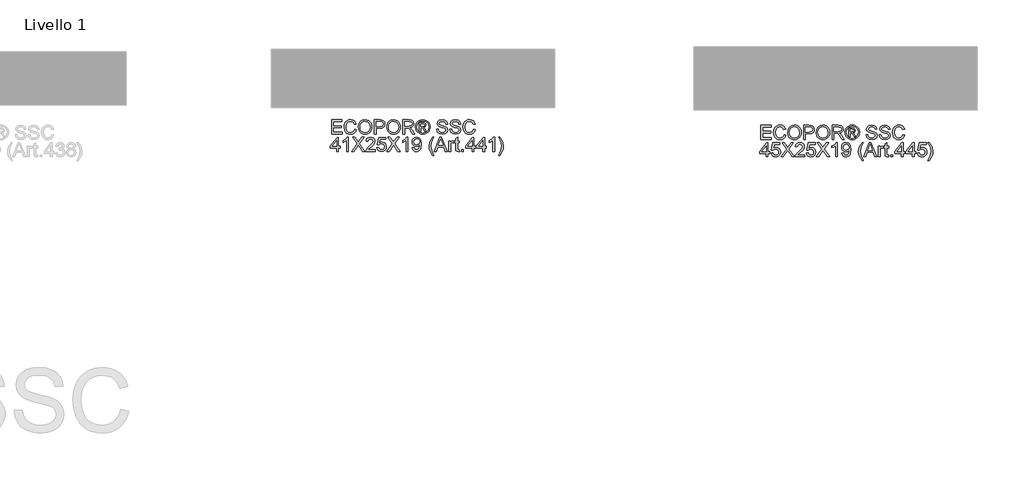
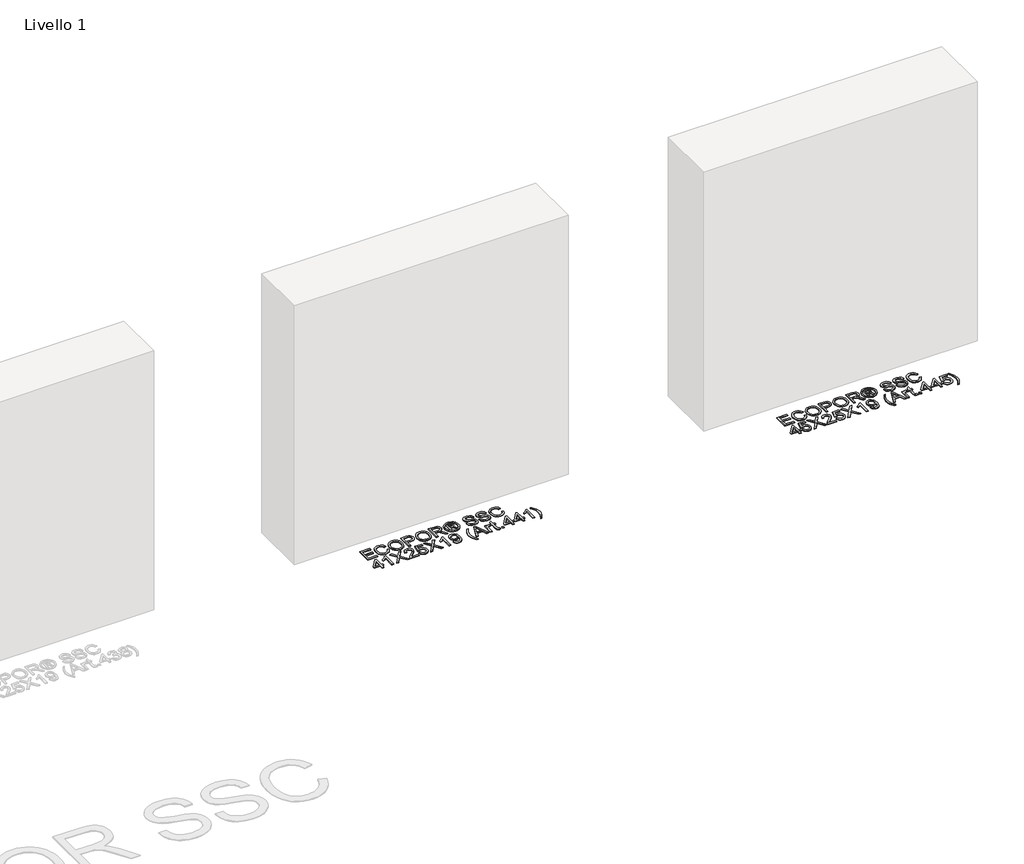
# One storey, part 9 of 10: 2 proxies.
"""IFC4 building model written with IfcOpenShell, lengths in millimetres."""

from ifc_helpers import new_model, si_unit, origin, origin_with_axes, place, context, project, spatial, polyline, outline, extrude, element, save

model = new_model("IFC4")

# Units and contexts
model_context = context("Model", 3, world=origin())
ifc_project = project(units=[si_unit("LENGTHUNIT", "METRE", prefix="MILLI")], contexts=[model_context])

# Site, building, storey
site = spatial("IfcSite", under=ifc_project)
building = spatial("IfcBuilding", under=site)
storey = spatial("IfcBuildingStorey", under=building, Name="Livello 1", Elevation=0.0)

# Proxies
placement = place(None, origin())
element("IfcBuildingElementProxy", 1, Name="100", ObjectType="100", at=placement, inside=storey, context=model_context, shape_type="SweptSolid", body=[
    extrude(outline(polyline([(4345.8529126, 142.6202611), (4345.8529126, 243.0765713), (4418.0558855, 243.0765713), (4418.0558855, 230.5195325), (4358.4099513, 230.5195325), (4358.4099513, 200.6965654), (4414.9166258, 200.6965654), (4414.9166258, 188.1395267), (4358.4099513, 188.1395267), (4358.4099513, 155.1772999), (4419.6255153, 155.1772999), (4419.6255153, 142.6202611), (4345.8529126, 142.6202611)])), origin_with_axes(), (0.0, 0.0, 1.0), 5.0),
    extrude(outline(polyline([(4509.0944166, 178.3293401), (4521.6514553, 175.0919786), (4515.8573139, 160.4594722), (4506.7644973, 149.7694346), (4494.8205951, 143.2303321), (4480.4731973, 141.0506313), (4465.908136, 142.6999689), (4454.3413129, 147.6479817), (4445.4753569, 155.7229915), (4439.0128965, 166.75332), (4433.7521839, 193.6087057), (4435.2390403, 208.2565404), (4439.6996095, 220.9055497), (4446.9008996, 231.154129), (4456.6099186, 238.6006737), (4468.124625, 243.1348193), (4480.7429775, 244.6462011), (4494.5109611, 242.6902952), (4505.8938432, 236.8225774), (4514.5360044, 227.4047983), (4520.0818255, 214.7987086), (4507.5247867, 211.8066017), (4497.2240908, 227.2453828), (4480.2524681, 232.0891624), (4460.6075696, 226.7180852), (4449.5097961, 212.297111), (4446.3092227, 193.6332311), (4450.0984073, 172.0017698), (4461.8951566, 158.1816695), (4479.2223986, 153.6076701), (4489.7039697, 155.1650372), (4498.4381014, 159.8371385), (4505.0323862, 167.5749231), (4509.0944166, 178.3293401)])), origin_with_axes(), (0.0, 0.0, 1.0), 5.0),
    extrude(outline(polyline([(4534.2084941, 191.524041), (4537.5562203, 213.7379822), (4547.5993987, 230.544058), (4562.9339466, 241.1206653), (4582.1557808, 244.6462011), (4595.3320876, 242.9907321), (4607.147231, 238.0243252), (4616.9574175, 230.0964682), (4624.1188537, 219.5566491), (4628.4966495, 206.9137712), (4629.9559147, 192.6767379), (4628.4200074, 178.2496324), (4623.8122854, 165.4289448), (4616.3872005, 154.8707316), (4606.3992043, 147.2310488), (4594.6852284, 142.5957357), (4582.0822044, 141.0506313), (4568.7035625, 142.7582169), (4556.8209741, 147.8809737), (4547.035313, 155.9559835), (4539.9474532, 166.5203281), (4534.2084941, 191.524041)]), holes=[polyline([(4546.7655329, 191.4014137), (4549.2763275, 175.6867211), (4556.8087113, 163.7121622), (4568.1302797, 156.1337931), (4582.008628, 153.6076701), (4596.0893114, 156.1583186), (4607.4292739, 163.8102641), (4614.9064754, 176.152705), (4617.3988759, 192.7748398), (4613.1314448, 213.4988589), (4600.6602452, 227.2208573), (4582.2293572, 232.0891624), (4568.7219566, 229.7439146), (4557.237907, 222.7081715), (4549.3836264, 210.1909866), (4546.7655329, 191.4014137)])]), origin_with_axes(), (0.0, 0.0, 1.0), 5.0),
    extrude(outline(polyline([(4647.221843, 142.6202611), (4647.221843, 243.0765713), (4684.4515009, 243.0765713), (4699.4610863, 242.1200781), (4711.6625058, 237.4234513), (4719.5719687, 227.7113666), (4722.5640756, 214.0138937), (4720.5437903, 202.1742248), (4714.4829345, 192.3088559), (4703.1491033, 185.6501918), (4685.3098922, 183.4306371), (4659.7788818, 183.4306371), (4659.7788818, 142.6202611), (4647.221843, 142.6202611)]), holes=[polyline([(4659.7788818, 195.9876759), (4686.0456562, 195.9876759), (4704.5378579, 200.5984636), (4708.6397421, 206.1473503), (4710.0070369, 213.5724353), (4706.781938, 223.971233), (4698.3083894, 229.6611412), (4685.7513506, 230.5195325), (4659.7788818, 230.5195325), (4659.7788818, 195.9876759)])]), origin_with_axes(), (0.0, 0.0, 1.0), 5.0),
    extrude(outline(polyline([(4735.1211144, 191.524041), (4738.4688406, 213.7379822), (4748.512019, 230.544058), (4763.8465669, 241.1206653), (4783.0684011, 244.6462011), (4796.2447079, 242.9907321), (4808.0598513, 238.0243252), (4817.8700378, 230.0964682), (4825.031474, 219.5566491), (4829.4092698, 206.9137712), (4830.868535, 192.6767379), (4829.3326277, 178.2496324), (4824.7249057, 165.4289448), (4817.2998208, 154.8707316), (4807.3118246, 147.2310488), (4795.5978487, 142.5957357), (4782.9948247, 141.0506313), (4769.6161828, 142.7582169), (4757.7335944, 147.8809737), (4747.9479333, 155.9559835), (4740.8600735, 166.5203281), (4735.1211144, 191.524041)]), holes=[polyline([(4747.6781532, 191.4014137), (4750.1889478, 175.6867211), (4757.7213316, 163.7121622), (4769.0429, 156.1337931), (4782.9212483, 153.6076701), (4797.0019317, 156.1583186), (4808.3418942, 163.8102641), (4815.8190957, 176.152705), (4818.3114962, 192.7748398), (4814.0440651, 213.4988589), (4801.5728655, 227.2208573), (4783.1419775, 232.0891624), (4769.6345769, 229.7439146), (4758.1505273, 222.7081715), (4750.2962467, 210.1909866), (4747.6781532, 191.4014137)])]), origin_with_axes(), (0.0, 0.0, 1.0), 5.0),
    extrude(outline(polyline([(4848.1344633, 142.6202611), (4848.1344633, 243.0765713), (4891.4219114, 243.0765713), (4911.5205311, 240.3665072), (4922.50794, 230.7770499), (4926.6159556, 215.5835235), (4924.9145014, 205.6874978), (4919.8101387, 197.4837293), (4911.1495834, 191.4688587), (4898.7795513, 188.1395267), (4905.916462, 182.7684495), (4916.0945306, 169.8435288), (4932.8454241, 142.6202611), (4918.2527716, 142.6202611), (4905.180698, 163.4423821), (4895.7383935, 177.2256941), (4889.1042548, 183.7372055), (4883.1323038, 186.1284384), (4875.8482403, 186.5698968), (4860.6915021, 186.5698968), (4860.6915021, 142.6202611), (4848.1344633, 142.6202611)]), holes=[polyline([(4860.6915021, 199.1269356), (4888.7976865, 199.1269356), (4903.1328216, 200.9050319), (4911.2752764, 206.5949401), (4914.0589168, 215.1175396), (4908.7491534, 226.178525), (4891.9614717, 230.5195325), (4860.6915021, 230.5195325), (4860.6915021, 199.1269356)])]), origin_with_axes(), (0.0, 0.0, 1.0), 5.0),
    extrude(outline(polyline([(4989.4256749, 244.6462011), (5002.3199389, 242.972338), (5014.9076345, 237.9507488), (5025.9655541, 229.8144254), (5034.2704901, 218.7963596), (5039.4668233, 206.0737739), (5041.1989344, 192.8238907), (5039.4913488, 179.6905035), (5034.368592, 167.0721511), (5026.1648235, 156.0939392), (5015.2142028, 147.8809737), (5002.6050474, 142.7582169), (4989.4256749, 141.0506313), (4976.2646966, 142.7582169), (4963.6616725, 147.8809737), (4952.7018548, 156.0939392), (4944.4704951, 167.0721511), (4939.3201472, 179.6905035), (4937.6033645, 192.8238907), (4939.3446727, 206.0737739), (4944.568597, 218.7963596), (4952.9011242, 229.8144254), (4963.9682409, 237.9507488), (4976.5498051, 242.972338), (4989.4256749, 244.6462011)]), holes=[polyline([(4989.4256749, 235.228422), (4968.603554, 229.7469803), (4959.5751167, 223.0852505), (4952.74784, 214.0629446), (4947.0211436, 192.8238907), (4952.6374754, 171.7687779), (4968.3582993, 156.0847422), (4989.4256749, 150.4684104), (5010.5053133, 156.0847422), (5026.189349, 171.7687779), (5031.7811553, 192.8238907), (5026.0912471, 214.0629446), (5019.2823645, 223.0852505), (5010.2355331, 229.7469803), (4989.4256749, 235.228422)])]), origin_with_axes(), (0.0, 0.0, 1.0), 5.0),
    extrude(outline(polyline([(4965.8567018, 161.4558193), (4965.8567018, 224.2410131), (4986.1392624, 224.2410131), (5001.1978988, 222.5119677), (5008.6168523, 216.478703), (5011.3759673, 207.3184413), (5006.6180268, 195.3990647), (4994.0119371, 189.7091565), (4998.9170304, 186.3736931), (5007.4764182, 173.8411798), (5014.515227, 161.4558193), (5003.9202255, 161.4558193), (4998.4019956, 171.4131586), (4989.1558948, 185.8341328), (4981.1360673, 188.1395267), (4975.2744808, 188.1395267), (4975.2744808, 161.4558193), (4965.8567018, 161.4558193)]), holes=[polyline([(4975.2744808, 197.5573057), (4987.1938575, 197.5573057), (4998.843454, 199.9485387), (5001.9581882, 206.2883718), (5000.4621348, 210.8501085), (4996.3050682, 213.8422154), (4986.433568, 214.8232341), (4975.2744808, 214.8232341), (4975.2744808, 197.5573057)])]), origin_with_axes(), (0.0, 0.0, 1.0), 5.0),
    extrude(outline(polyline([(5086.7181999, 177.1521177), (5099.2752387, 177.1521177), (5103.3219406, 164.5828162), (5113.2057036, 156.6365651), (5128.2643399, 153.6076701), (5141.3854644, 155.9008012), (5149.859013, 162.203846), (5152.6426535, 170.6283437), (5150.5579888, 178.4642302), (5142.0231265, 184.1664011), (5123.7393914, 188.9611298), (5104.0577046, 195.15381), (5093.376864, 204.4980127), (5089.8574596, 216.9814751), (5094.2107299, 231.1939828), (5106.9271842, 241.2248986), (5125.5420131, 244.6462011), (5145.4076409, 241.065483), (5158.6513927, 230.544058), (5163.6300624, 214.8232341), (5151.0730236, 214.8232341), (5148.7676298, 222.315764), (5143.9606384, 227.7236293), (5126.0325225, 232.0891624), (5108.0553556, 227.7726803), (5102.4144984, 217.3493571), (5106.4121494, 208.6428165), (5126.9154393, 201.6285332), (5149.1355118, 195.3254883), (5161.2878803, 185.1474198), (5165.1996922, 170.9471748), (5160.6992691, 155.9253266), (5147.7498229, 144.9624432), (5128.7548492, 141.0506313), (5106.3263103, 145.2690115), (5092.138328, 157.9732031), (5086.7181999, 177.1521177)])), origin_with_axes(), (0.0, 0.0, 1.0), 5.0),
    extrude(outline(polyline([(5179.3263608, 177.1521177), (5191.8833996, 177.1521177), (5195.9301016, 164.5828162), (5205.8138645, 156.6365651), (5220.8725008, 153.6076701), (5233.9936253, 155.9008012), (5242.4671739, 162.203846), (5245.2508144, 170.6283437), (5243.1661497, 178.4642302), (5234.6312874, 184.1664011), (5216.3475523, 188.9611298), (5196.6658655, 195.15381), (5185.985025, 204.4980127), (5182.4656205, 216.9814751), (5186.8188908, 231.1939828), (5199.5353451, 241.2248986), (5218.1501741, 244.6462011), (5238.0158018, 241.065483), (5251.2595536, 230.544058), (5256.2382233, 214.8232341), (5243.6811845, 214.8232341), (5241.3757907, 222.315764), (5236.5687993, 227.7236293), (5218.6406834, 232.0891624), (5200.6635166, 227.7726803), (5195.0226593, 217.3493571), (5199.0203103, 208.6428165), (5219.5236002, 201.6285332), (5241.7436727, 195.3254883), (5253.8960413, 185.1474198), (5257.8078531, 170.9471748), (5253.3074301, 155.9253266), (5240.3579838, 144.9624432), (5221.3630102, 141.0506313), (5198.9344712, 145.2690115), (5184.7464889, 157.9732031), (5179.3263608, 177.1521177)])), origin_with_axes(), (0.0, 0.0, 1.0), 5.0),
    extrude(outline(polyline([(5347.2767544, 178.3293401), (5359.8337931, 175.0919786), (5354.0396517, 160.4594722), (5344.9468351, 149.7694346), (5333.002933, 143.2303321), (5318.6555351, 141.0506313), (5304.0904738, 142.6999689), (5292.5236508, 147.6479817), (5283.6576947, 155.7229915), (5277.1952343, 166.75332), (5271.9345218, 193.6087057), (5273.4213782, 208.2565404), (5277.8819473, 220.9055497), (5285.0832374, 231.154129), (5294.7922564, 238.6006737), (5306.3069628, 243.1348193), (5318.9253153, 244.6462011), (5332.6932989, 242.6902952), (5344.076181, 236.8225774), (5352.7183422, 227.4047983), (5358.2641633, 214.7987086), (5345.7071245, 211.8066017), (5335.4064287, 227.2453828), (5318.4348059, 232.0891624), (5298.7899074, 226.7180852), (5287.6921339, 212.297111), (5284.4915605, 193.6332311), (5288.2807451, 172.0017698), (5300.0774944, 158.1816695), (5317.4047364, 153.6076701), (5327.8863075, 155.1650372), (5336.6204392, 159.8371385), (5343.214724, 167.5749231), (5347.2767544, 178.3293401)])), origin_with_axes(), (0.0, 0.0, 1.0), 5.0),
    extrude(outline(polyline([(4381.954399, 20.6454433), (4381.954399, 44.189891), (4336.4351335, 44.189891), (4336.4351335, 56.7469297), (4385.0936587, 119.5321236), (4394.5114378, 119.5321236), (4394.5114378, 56.7469297), (4407.0684766, 56.7469297), (4407.0684766, 44.189891), (4394.5114378, 44.189891), (4394.5114378, 20.6454433), (4381.954399, 20.6454433)]), holes=[polyline([(4381.954399, 56.7469297), (4381.954399, 95.5462175), (4351.8861773, 56.7469297), (4381.954399, 56.7469297)])]), origin_with_axes(), (0.0, 0.0, 1.0), 5.0),
    extrude(outline(polyline([(4465.1447809, 20.6454433), (4452.5877421, 20.6454433), (4452.5877421, 98.9307319), (4440.6928909, 90.4571832), (4427.4736646, 84.1173502), (4427.4736646, 95.9876759), (4445.8800271, 107.7353743), (4457.051377, 121.1017534), (4465.1447809, 121.1017534), (4465.1447809, 20.6454433)])), origin_with_axes(), (0.0, 0.0, 1.0), 5.0),
    extrude(outline(polyline([(4488.6892286, 20.6454433), (4527.4149399, 75.3862842), (4494.9677479, 121.1017534), (4510.0263843, 121.1017534), (4528.2978567, 95.3745392), (4534.4537488, 85.3436235), (4541.6642359, 95.5462175), (4559.7395046, 121.1017534), (4575.0188701, 121.1017534), (4542.5716781, 75.2391314), (4581.2973895, 20.6454433), (4566.2387531, 20.6454433), (4540.4379625, 57.0412353), (4535.0668854, 64.595079), (4529.156248, 56.3054714), (4503.9685941, 20.6454433), (4488.6892286, 20.6454433)])), origin_with_axes(), (0.0, 0.0, 1.0), 5.0),
    extrude(outline(polyline([(4653.5003624, 33.2024821), (4653.5003624, 20.6454433), (4587.5759089, 20.6454433), (4588.9248095, 29.3029329), (4596.5522295, 42.6325239), (4612.2730535, 57.1883881), (4633.9535657, 78.1086109), (4639.3736938, 92.3333814), (4634.2601341, 103.8480879), (4620.9060176, 108.5447147), (4606.9878155, 103.9584525), (4601.7025775, 91.2787864), (4589.1455387, 92.8484162), (4592.1897622, 104.9946534), (4598.7717842, 113.8667409), (4608.5482483, 119.2930003), (4621.1757978, 121.1017534), (4633.8953177, 119.0906652), (4643.6533877, 113.0574005), (4649.8613963, 104.0442916), (4651.9307326, 93.0936709), (4649.6989151, 81.186557), (4642.2799615, 68.8747729), (4624.290532, 51.6701582), (4609.8450323, 39.591366), (4604.1796496, 33.2024821), (4653.5003624, 33.2024821)])), origin_with_axes(), (0.0, 0.0, 1.0), 5.0),
    extrude(outline(polyline([(4666.0574012, 47.3291507), (4678.6144399, 48.8987805), (4684.9420103, 35.961597), (4698.0631347, 31.6328522), (4707.0639809, 33.1381027), (4713.8084841, 37.6538542), (4718.020733, 44.6589405), (4719.4248159, 53.6321955), (4714.1641034, 68.5436791), (4707.5575559, 72.6455633), (4698.2593385, 74.0128581), (4687.2351414, 71.8300915), (4680.1840698, 66.1647088), (4667.627031, 67.7343387), (4678.6144399, 119.5321236), (4727.2729652, 119.5321236), (4727.2729652, 106.9750848), (4688.767983, 106.9750848), (4683.3969059, 79.3103588), (4692.3670952, 84.7550123), (4701.7664802, 86.5698968), (4713.4988501, 84.3196853), (4723.238526, 77.5690507), (4729.7960225, 67.2806175), (4731.9818547, 54.4170104), (4730.013686, 41.8599717), (4724.10918, 31.1178174), (4712.80294, 22.0863144), (4698.0140838, 19.0758134), (4685.6808399, 21.0102596), (4675.855325, 26.8135981), (4669.1200188, 35.8113785), (4666.0574012, 47.3291507)])), origin_with_axes(), (0.0, 0.0, 1.0), 5.0),
    extrude(outline(polyline([(4736.6907442, 20.6454433), (4775.4164556, 75.3862842), (4742.9692636, 121.1017534), (4758.0279, 121.1017534), (4776.2993724, 95.3745392), (4782.4552644, 85.3436235), (4789.6657515, 95.5462175), (4807.7410202, 121.1017534), (4823.0203858, 121.1017534), (4790.5731938, 75.2391314), (4829.2989052, 20.6454433), (4814.2402688, 20.6454433), (4788.4394782, 57.0412353), (4783.0684011, 64.595079), (4777.1577637, 56.3054714), (4751.9701098, 20.6454433), (4736.6907442, 20.6454433)])), origin_with_axes(), (0.0, 0.0, 1.0), 5.0),
    extrude(outline(polyline([(4884.2359498, 20.6454433), (4871.678911, 20.6454433), (4871.678911, 98.9307319), (4859.7840598, 90.4571832), (4846.5648335, 84.1173502), (4846.5648335, 95.9876759), (4864.971196, 107.7353743), (4876.1425459, 121.1017534), (4884.2359498, 121.1017534), (4884.2359498, 20.6454433)])), origin_with_axes(), (0.0, 0.0, 1.0), 5.0),
    extrude(outline(polyline([(4915.6285467, 45.7595208), (4928.1855855, 47.3291507), (4933.8264427, 35.3484604), (4944.5195461, 31.6328522), (4954.6853519, 34.0240852), (4961.5770079, 40.4129692), (4965.6850235, 51.3268017), (4967.499908, 65.8949287), (4967.4263316, 68.3474753), (4957.3831531, 58.8315944), (4943.6121038, 55.1772999), (4932.1617767, 57.4091173), (4922.6305673, 64.1045696), (4916.2018295, 74.4481851), (4914.0589168, 87.6244919), (4916.3060627, 101.2361257), (4923.0475003, 111.9047036), (4933.1734522, 118.802491), (4945.5741411, 121.1017534), (4963.4654688, 115.8533036), (4975.7772529, 100.8927692), (4979.9833704, 72.7865847), (4975.7895156, 42.2891673), (4970.5747884, 32.2981055), (4963.318316, 25.0109763), (4954.3327983, 20.5596042), (4943.9309349, 19.0758134), (4933.194912, 20.8263186), (4924.6293928, 26.0778341), (4918.6390477, 34.4992661), (4915.6285467, 45.7595208)]), holes=[polyline([(4967.4263316, 87.9187975), (4966.0712996, 96.4291343), (4962.0062036, 102.9774338), (4955.6970273, 107.1528945), (4947.6097548, 108.5447147), (4939.2220453, 107.0455955), (4932.5020675, 102.5482381), (4928.0874836, 95.6657792), (4926.6159556, 87.0113552), (4928.0077758, 79.2521108), (4932.1832365, 73.0931531), (4938.7376674, 69.0740423), (4947.2663983, 67.7343387), (4961.7486862, 73.0931531), (4966.0069203, 79.4789714), (4967.4263316, 87.9187975)])]), origin_with_axes(), (0.0, 0.0, 1.0), 5.0),
    extrude(outline(polyline([(5058.4648627, -7.6078939), (5040.6348487, 21.8471911), (5035.171801, 39.0272803), (5033.3507852, 56.8205061), (5038.7954387, 87.3547117), (5058.4648627, 121.1017534), (5067.8826418, 121.1017534), (5056.1349434, 101.2116002), (5049.0716091, 81.9345837), (5045.9078239, 56.7469297), (5051.4015284, 24.5572552), (5067.8826418, -7.6078939), (5058.4648627, -7.6078939)])), origin_with_axes(), (0.0, 0.0, 1.0), 5.0),
    extrude(outline(polyline([(5070.3106629, 20.6454433), (5110.4098004, 121.1017534), (5121.1029037, 121.1017534), (5161.2020412, 20.6454433), (5147.9337639, 20.6454433), (5136.4313202, 52.0380402), (5095.0568585, 52.0380402), (5083.5789402, 20.6454433), (5070.3106629, 20.6454433)]), holes=[polyline([(5099.6676461, 64.595079), (5131.845058, 64.595079), (5122.7951609, 89.2922236), (5115.7563521, 108.5447147), (5109.5023582, 91.4504646), (5099.6676461, 64.595079)])]), origin_with_axes(), (0.0, 0.0, 1.0), 5.0),
    extrude(outline(polyline([(5173.0478415, 20.6454433), (5173.0478415, 94.4180461), (5184.0352504, 94.4180461), (5184.0352504, 83.5042135), (5191.8343487, 93.5596547), (5199.6824979, 95.9876759), (5212.2885876, 92.1126522), (5208.0947329, 80.8554632), (5199.265565, 83.4306371), (5192.1654425, 80.953565), (5187.6404939, 74.0864345), (5185.6048802, 59.4202056), (5185.6048802, 20.6454433), (5173.0478415, 20.6454433)])), origin_with_axes(), (0.0, 0.0, 1.0), 5.0),
    extrude(outline(polyline([(5246.8204442, 31.1178174), (5248.3900741, 20.2775613), (5238.9968205, 19.0758134), (5228.4753954, 21.1604781), (5223.2269456, 26.6296571), (5221.7063667, 40.878953), (5221.7063667, 81.8610073), (5212.2885876, 81.8610073), (5212.2885876, 94.4180461), (5221.7063667, 94.4180461), (5221.7063667, 112.3461619), (5234.2634055, 119.7283273), (5234.2634055, 94.4180461), (5246.8204442, 94.4180461), (5246.8204442, 81.8610073), (5234.2634055, 81.8610073), (5234.2634055, 41.246835), (5234.925593, 34.7721119), (5237.0715713, 32.4789808), (5241.3512652, 31.6328522), (5246.8204442, 31.1178174)])), origin_with_axes(), (0.0, 0.0, 1.0), 5.0),
    extrude(outline(polyline([(5262.5167427, 20.6454433), (5262.5167427, 33.2024821), (5275.0737814, 33.2024821), (5275.0737814, 20.6454433), (5262.5167427, 20.6454433)])), origin_with_axes(), (0.0, 0.0, 1.0), 5.0),
    extrude(outline(polyline([(5336.2893454, 20.6454433), (5336.2893454, 44.189891), (5290.7700799, 44.189891), (5290.7700799, 56.7469297), (5339.4286051, 119.5321236), (5348.8463842, 119.5321236), (5348.8463842, 56.7469297), (5361.403423, 56.7469297), (5361.403423, 44.189891), (5348.8463842, 44.189891), (5348.8463842, 20.6454433), (5336.2893454, 20.6454433)]), holes=[polyline([(5336.2893454, 56.7469297), (5336.2893454, 95.5462175), (5306.2211237, 56.7469297), (5336.2893454, 56.7469297)])]), origin_with_axes(), (0.0, 0.0, 1.0), 5.0),
    extrude(outline(polyline([(5413.2012079, 20.6454433), (5413.2012079, 44.189891), (5367.6819424, 44.189891), (5367.6819424, 56.7469297), (5416.3404676, 119.5321236), (5425.7582467, 119.5321236), (5425.7582467, 56.7469297), (5438.3152854, 56.7469297), (5438.3152854, 44.189891), (5425.7582467, 44.189891), (5425.7582467, 20.6454433), (5413.2012079, 20.6454433)]), holes=[polyline([(5413.2012079, 56.7469297), (5413.2012079, 95.5462175), (5383.1329862, 56.7469297), (5413.2012079, 56.7469297)])]), origin_with_axes(), (0.0, 0.0, 1.0), 5.0),
    extrude(outline(polyline([(5496.3915897, 20.6454433), (5483.834551, 20.6454433), (5483.834551, 98.9307319), (5471.9396998, 90.4571832), (5458.7204734, 84.1173502), (5458.7204734, 95.9876759), (5477.1268359, 107.7353743), (5488.2981859, 121.1017534), (5496.3915897, 121.1017534), (5496.3915897, 20.6454433)])), origin_with_axes(), (0.0, 0.0, 1.0), 5.0),
    extrude(outline(polyline([(5532.4930762, -7.6078939), (5523.0752971, -7.6078939), (5539.5564105, 24.5572552), (5545.050115, 56.7469297), (5541.8863298, 81.7138545), (5534.8965719, 101.0153965), (5523.0752971, 121.1017534), (5532.4930762, 121.1017534), (5552.1625002, 87.3547117), (5557.6071537, 56.8205061), (5555.7769408, 39.0272803), (5550.286302, 21.8471911), (5532.4930762, -7.6078939)])), origin_with_axes(), (0.0, 0.0, 1.0), 5.0),
])
element("IfcBuildingElementProxy", 2, Name="100", ObjectType="100", at=placement, inside=storey, context=model_context, shape_type="SweptSolid", body=[
    extrude(outline(polyline([(7373.6382108, 104.7110435), (7373.6382108, 205.1673537), (7445.8411837, 205.1673537), (7445.8411837, 192.6103149), (7386.1952496, 192.6103149), (7386.1952496, 162.7873478), (7442.701924, 162.7873478), (7442.701924, 150.2303091), (7386.1952496, 150.2303091), (7386.1952496, 117.2680823), (7447.4108136, 117.2680823), (7447.4108136, 104.7110435), (7373.6382108, 104.7110435)])), origin_with_axes(), (0.0, 0.0, 1.0), 5.0),
    extrude(outline(polyline([(7536.8797148, 140.4201225), (7549.4367536, 137.182761), (7543.6426122, 122.5502546), (7534.5497955, 111.860217), (7522.6058934, 105.3211145), (7508.2584956, 103.1414137), (7493.6934343, 104.7907513), (7482.1266112, 109.7387641), (7473.2606551, 117.8137739), (7466.7981947, 128.8441024), (7461.5374822, 155.6994881), (7463.0243386, 170.3473228), (7467.4849078, 182.9963321), (7474.6861978, 193.2449113), (7484.3952168, 200.6914561), (7495.9099233, 205.2256017), (7508.5282757, 206.7369835), (7522.2962594, 204.7810776), (7533.6791414, 198.9133598), (7542.3213027, 189.4955807), (7547.8671237, 176.889491), (7535.310085, 173.8973841), (7525.0093891, 189.3361651), (7508.0377664, 194.1799448), (7488.3928678, 188.8088676), (7477.2950943, 174.3878934), (7474.094521, 155.7240135), (7477.8837055, 134.0925522), (7489.6804548, 120.2724519), (7507.0076968, 115.6984524), (7517.489268, 117.2558196), (7526.2233997, 121.9279209), (7532.8176844, 129.6657055), (7536.8797148, 140.4201225)])), origin_with_axes(), (0.0, 0.0, 1.0), 5.0),
    extrude(outline(polyline([(7561.9937923, 153.6148234), (7565.3415185, 175.8287646), (7575.384697, 192.6348404), (7590.7192448, 203.2114477), (7609.941079, 206.7369835), (7623.1173858, 205.0815145), (7634.9325293, 200.1151076), (7644.7427158, 192.1872506), (7651.904152, 181.6474315), (7656.2819477, 169.0045535), (7657.741213, 154.7675203), (7656.2053056, 140.3404148), (7651.5975836, 127.5197272), (7644.1724987, 116.961514), (7634.1845025, 109.3218312), (7622.4705267, 104.6865181), (7609.8675026, 103.1414137), (7596.4888608, 104.8489993), (7584.6062723, 109.9717561), (7574.8206112, 118.0467659), (7567.7327515, 128.6111105), (7561.9937923, 153.6148234)]), holes=[polyline([(7574.5508311, 153.4921961), (7577.0616257, 137.7775035), (7584.5940096, 125.8029446), (7595.915578, 118.2245755), (7609.7939262, 115.6984524), (7623.8746096, 118.2491009), (7635.2145721, 125.9010464), (7642.6917737, 138.2434874), (7645.1841742, 154.8656222), (7640.916743, 175.5896413), (7628.4455434, 189.3116397), (7610.0146554, 194.1799448), (7596.5072549, 191.834697), (7585.0232052, 184.7989539), (7577.1689246, 172.281769), (7574.5508311, 153.4921961)])]), origin_with_axes(), (0.0, 0.0, 1.0), 5.0),
    extrude(outline(polyline([(7675.0071413, 104.7110435), (7675.0071413, 205.1673537), (7712.2367992, 205.1673537), (7727.2463846, 204.2108605), (7739.4478041, 199.5142337), (7747.357267, 189.802149), (7750.3493739, 176.1046761), (7748.3290886, 164.2650072), (7742.2682327, 154.3996383), (7730.9344016, 147.7409742), (7713.0951905, 145.5214195), (7687.56418, 145.5214195), (7687.56418, 104.7110435), (7675.0071413, 104.7110435)]), holes=[polyline([(7687.56418, 158.0784583), (7713.8309545, 158.0784583), (7732.3231561, 162.689246), (7736.4250404, 168.2381327), (7737.7923351, 175.6632177), (7734.5672363, 186.0620154), (7726.0936877, 191.7519236), (7713.5366489, 192.6103149), (7687.56418, 192.6103149), (7687.56418, 158.0784583)])]), origin_with_axes(), (0.0, 0.0, 1.0), 5.0),
    extrude(outline(polyline([(7762.9064126, 153.6148234), (7766.2541388, 175.8287646), (7776.2973173, 192.6348404), (7791.6318651, 203.2114477), (7810.8536993, 206.7369835), (7824.0300061, 205.0815145), (7835.8451496, 200.1151076), (7845.6553361, 192.1872506), (7852.8167723, 181.6474315), (7857.194568, 169.0045535), (7858.6538333, 154.7675203), (7857.1179259, 140.3404148), (7852.5102039, 127.5197272), (7845.085119, 116.961514), (7835.0971228, 109.3218312), (7823.383147, 104.6865181), (7810.7801229, 103.1414137), (7797.4014811, 104.8489993), (7785.5188926, 109.9717561), (7775.7332315, 118.0467659), (7768.6453718, 128.6111105), (7762.9064126, 153.6148234)]), holes=[polyline([(7775.4634514, 153.4921961), (7777.974246, 137.7775035), (7785.5066299, 125.8029446), (7796.8281983, 118.2245755), (7810.7065465, 115.6984524), (7824.7872299, 118.2491009), (7836.1271924, 125.9010464), (7843.604394, 138.2434874), (7846.0967945, 154.8656222), (7841.8293633, 175.5896413), (7829.3581637, 189.3116397), (7810.9272757, 194.1799448), (7797.4198752, 191.834697), (7785.9358255, 184.7989539), (7778.0815449, 172.281769), (7775.4634514, 153.4921961)])]), origin_with_axes(), (0.0, 0.0, 1.0), 5.0),
    extrude(outline(polyline([(7875.9197616, 104.7110435), (7875.9197616, 205.1673537), (7919.2072097, 205.1673537), (7939.3058293, 202.4572896), (7950.2932383, 192.8678323), (7954.4012539, 177.6743059), (7952.6997996, 167.7782802), (7947.595437, 159.5745117), (7938.9348817, 153.5596411), (7926.5648496, 150.2303091), (7933.7017603, 144.8592319), (7943.8798288, 131.9343112), (7960.6307223, 104.7110435), (7946.0380698, 104.7110435), (7932.9659963, 125.5331645), (7923.5236917, 139.3164765), (7916.8895531, 145.8279879), (7910.917602, 148.2192208), (7903.6335385, 148.6606792), (7888.4768003, 148.6606792), (7888.4768003, 104.7110435), (7875.9197616, 104.7110435)]), holes=[polyline([(7888.4768003, 161.217718), (7916.5829848, 161.217718), (7930.9181198, 162.9958143), (7939.0605747, 168.6857225), (7941.8442151, 177.208322), (7936.5344516, 188.2693074), (7919.7467699, 192.6103149), (7888.4768003, 192.6103149), (7888.4768003, 161.217718)])]), origin_with_axes(), (0.0, 0.0, 1.0), 5.0),
    extrude(outline(polyline([(8017.2109732, 206.7369835), (8030.1052371, 205.0631204), (8042.6929327, 200.0415312), (8053.7508523, 191.9052077), (8062.0557884, 180.887142), (8067.2521216, 168.1645563), (8068.9842326, 154.9146731), (8067.276647, 141.7812859), (8062.1538903, 129.1629335), (8053.9501218, 118.1847216), (8042.999501, 109.9717561), (8030.3903457, 104.8489993), (8017.2109732, 103.1414137), (8004.0499948, 104.8489993), (7991.4469708, 109.9717561), (7980.487153, 118.1847216), (7972.2557934, 129.1629335), (7967.1054454, 141.7812859), (7965.3886628, 154.9146731), (7967.1299709, 168.1645563), (7972.3538952, 180.887142), (7980.6864224, 191.9052077), (7991.7535391, 200.0415312), (8004.3351033, 205.0631204), (8017.2109732, 206.7369835)]), holes=[polyline([(8017.2109732, 197.3192044), (7996.3888522, 191.8377627), (7987.3604149, 185.1760329), (7980.5331383, 176.153727), (7974.8064419, 154.9146731), (7980.4227737, 133.8595603), (7996.1435976, 118.1755245), (8017.2109732, 112.5591928), (8038.2906115, 118.1755245), (8053.9746472, 133.8595603), (8059.5664536, 154.9146731), (8053.8765454, 176.153727), (8047.0676628, 185.1760329), (8038.0208314, 191.8377627), (8017.2109732, 197.3192044)])]), origin_with_axes(), (0.0, 0.0, 1.0), 5.0),
    extrude(outline(polyline([(7993.642, 123.5466017), (7993.642, 186.3317955), (8013.9245607, 186.3317955), (8028.983197, 184.6027501), (8036.4021506, 178.5694854), (8039.1612656, 169.4092237), (8034.4033251, 157.4898471), (8021.7972354, 151.7999389), (8026.7023287, 148.4644755), (8035.2617164, 135.9319622), (8042.3005252, 123.5466017), (8031.7055238, 123.5466017), (8026.1872939, 133.503941), (8016.941193, 147.9249152), (8008.9213656, 150.2303091), (8003.0597791, 150.2303091), (8003.0597791, 123.5466017), (7993.642, 123.5466017)]), holes=[polyline([(8003.0597791, 159.6480881), (8014.9791557, 159.6480881), (8026.6287523, 162.0393211), (8029.7434865, 168.3791542), (8028.247433, 172.9408909), (8024.0903665, 175.9329978), (8014.2188663, 176.9140164), (8003.0597791, 176.9140164), (8003.0597791, 159.6480881)])]), origin_with_axes(), (0.0, 0.0, 1.0), 5.0),
    extrude(outline(polyline([(8114.5034982, 139.2429001), (8127.0605369, 139.2429001), (8131.1072389, 126.6735986), (8140.9910018, 118.7273475), (8156.0496382, 115.6984524), (8169.1707626, 117.9915836), (8177.6443113, 124.2946284), (8180.4279517, 132.7191261), (8178.3432871, 140.5550126), (8169.8084248, 146.2571835), (8151.5246896, 151.0519122), (8131.8430029, 157.2445924), (8121.1621623, 166.5887951), (8117.6427579, 179.0722575), (8121.9960281, 193.2847652), (8134.7124824, 203.315681), (8153.3273114, 206.7369835), (8173.1929391, 203.1562654), (8186.436691, 192.6348404), (8191.4153606, 176.9140164), (8178.8583219, 176.9140164), (8176.552928, 184.4065464), (8171.7459366, 189.8144117), (8153.8178207, 194.1799448), (8135.8406539, 189.8634627), (8130.1997966, 179.4401395), (8134.1974476, 170.7335989), (8154.7007375, 163.7193156), (8176.92081, 157.4162707), (8189.0731786, 147.2382022), (8192.9849905, 133.0379572), (8188.4845674, 118.016109), (8175.5351212, 107.0532256), (8156.5401475, 103.1414137), (8134.1116085, 107.3597939), (8119.9236262, 120.0639855), (8114.5034982, 139.2429001)])), origin_with_axes(), (0.0, 0.0, 1.0), 5.0),
    extrude(outline(polyline([(8207.1116591, 139.2429001), (8219.6686979, 139.2429001), (8223.7153998, 126.6735986), (8233.5991627, 118.7273475), (8248.6577991, 115.6984524), (8261.7789236, 117.9915836), (8270.2524722, 124.2946284), (8273.0361126, 132.7191261), (8270.951448, 140.5550126), (8262.4165857, 146.2571835), (8244.1328505, 151.0519122), (8224.4511638, 157.2445924), (8213.7703232, 166.5887951), (8210.2509188, 179.0722575), (8214.6041891, 193.2847652), (8227.3206434, 203.315681), (8245.9354723, 206.7369835), (8265.8011, 203.1562654), (8279.0448519, 192.6348404), (8284.0235215, 176.9140164), (8271.4664828, 176.9140164), (8269.1610889, 184.4065464), (8264.3540975, 189.8144117), (8246.4259816, 194.1799448), (8228.4488148, 189.8634627), (8222.8079575, 179.4401395), (8226.8056086, 170.7335989), (8247.3088984, 163.7193156), (8269.5289709, 157.4162707), (8281.6813395, 147.2382022), (8285.5931514, 133.0379572), (8281.0927283, 118.016109), (8268.1432821, 107.0532256), (8249.1483084, 103.1414137), (8226.7197694, 107.3597939), (8212.5317871, 120.0639855), (8207.1116591, 139.2429001)])), origin_with_axes(), (0.0, 0.0, 1.0), 5.0),
    extrude(outline(polyline([(8375.0620526, 140.4201225), (8387.6190914, 137.182761), (8381.82495, 122.5502546), (8372.7321333, 111.860217), (8360.7882312, 105.3211145), (8346.4408334, 103.1414137), (8331.8757721, 104.7907513), (8320.308949, 109.7387641), (8311.4429929, 117.8137739), (8304.9805325, 128.8441024), (8299.71982, 155.6994881), (8301.2066764, 170.3473228), (8305.6672456, 182.9963321), (8312.8685356, 193.2449113), (8322.5775546, 200.6914561), (8334.0922611, 205.2256017), (8346.7106135, 206.7369835), (8360.4785972, 204.7810776), (8371.8614793, 198.9133598), (8380.5036405, 189.4955807), (8386.0494615, 176.889491), (8373.4924228, 173.8973841), (8363.1917269, 189.3361651), (8346.2201042, 194.1799448), (8326.5752057, 188.8088676), (8315.4774321, 174.3878934), (8312.2768588, 155.7240135), (8316.0660433, 134.0925522), (8327.8627926, 120.2724519), (8345.1900346, 115.6984524), (8355.6716058, 117.2558196), (8364.4057375, 121.9279209), (8371.0000223, 129.6657055), (8375.0620526, 140.4201225)])), origin_with_axes(), (0.0, 0.0, 1.0), 5.0),
    extrude(outline(polyline([(7409.7396973, -17.2637743), (7409.7396973, 6.2806734), (7364.2204317, 6.2806734), (7364.2204317, 18.8377121), (7412.878957, 81.622906), (7422.296736, 81.622906), (7422.296736, 18.8377121), (7434.8537748, 18.8377121), (7434.8537748, 6.2806734), (7422.296736, 6.2806734), (7422.296736, -17.2637743), (7409.7396973, -17.2637743)]), holes=[polyline([(7409.7396973, 18.8377121), (7409.7396973, 57.6369999), (7379.6714755, 18.8377121), (7409.7396973, 18.8377121)])]), origin_with_axes(), (0.0, 0.0, 1.0), 5.0),
    extrude(outline(polyline([(7445.8411837, 9.4199331), (7458.3982225, 10.9895629), (7464.7257928, -1.9476206), (7477.8469173, -6.2763654), (7486.8477635, -4.7711149), (7493.5922667, -0.2553634), (7497.8045156, 6.7497229), (7499.2085985, 15.7229779), (7493.947886, 30.6344615), (7487.3413385, 34.7363457), (7478.043121, 36.1036404), (7467.0189239, 33.9208739), (7459.9678523, 28.2554912), (7447.4108136, 29.8251211), (7458.3982225, 81.622906), (7507.0567477, 81.622906), (7507.0567477, 69.0658672), (7468.5517656, 69.0658672), (7463.1806884, 41.4011412), (7472.1508778, 46.8457947), (7481.5502627, 48.6606792), (7493.2826327, 46.4104677), (7503.0223085, 39.6598331), (7509.5798051, 29.3713999), (7511.7656373, 16.5077928), (7509.7974686, 3.9507541), (7503.8929626, -6.7914002), (7492.5867226, -15.8229032), (7477.7978664, -18.8334042), (7465.4646225, -16.898958), (7455.6391075, -11.0956195), (7448.9038013, -2.0978391), (7445.8411837, 9.4199331)])), origin_with_axes(), (0.0, 0.0, 1.0), 5.0),
    extrude(outline(polyline([(7516.4745268, -17.2637743), (7555.2002382, 37.4770666), (7522.7530462, 83.1925358), (7537.8116825, 83.1925358), (7556.083155, 57.4653216), (7562.239047, 47.4344059), (7569.4495341, 57.6369999), (7587.5248028, 83.1925358), (7602.8041683, 83.1925358), (7570.3569764, 37.3299138), (7609.0826877, -17.2637743), (7594.0240514, -17.2637743), (7568.2232608, 19.1320177), (7562.8521837, 26.6858614), (7556.9415463, 18.3962537), (7531.7538923, -17.2637743), (7516.4745268, -17.2637743)])), origin_with_axes(), (0.0, 0.0, 1.0), 5.0),
    extrude(outline(polyline([(7681.2856606, -4.7067356), (7681.2856606, -17.2637743), (7615.3612071, -17.2637743), (7616.7101078, -8.6062847), (7624.3375278, 4.7233063), (7640.0583517, 19.2791705), (7661.738864, 40.1993933), (7667.158992, 54.4241638), (7662.0454323, 65.9388703), (7648.6913159, 70.6354971), (7634.7731137, 66.0492349), (7629.4878757, 53.3695688), (7616.930837, 54.9391986), (7619.9750605, 67.0854358), (7626.5570825, 75.9575233), (7636.3335465, 81.3837827), (7648.961096, 83.1925358), (7661.680616, 81.1814476), (7671.4386859, 75.1481829), (7677.6466946, 66.135074), (7679.7160308, 55.1844533), (7677.4842134, 43.2773394), (7670.0652598, 30.9655552), (7652.0758302, 13.7609406), (7637.6303306, 1.6821484), (7631.9649478, -4.7067356), (7681.2856606, -4.7067356)])), origin_with_axes(), (0.0, 0.0, 1.0), 5.0),
    extrude(outline(polyline([(7693.8426994, 9.4199331), (7706.3997382, 10.9895629), (7712.7273085, -1.9476206), (7725.848433, -6.2763654), (7734.8492791, -4.7711149), (7741.5937824, -0.2553634), (7745.8060312, 6.7497229), (7747.2101142, 15.7229779), (7741.9494017, 30.6344615), (7735.3428542, 34.7363457), (7726.0446367, 36.1036404), (7715.0204396, 33.9208739), (7707.969368, 28.2554912), (7695.4123293, 29.8251211), (7706.3997382, 81.622906), (7755.0582634, 81.622906), (7755.0582634, 69.0658672), (7716.5532812, 69.0658672), (7711.1822041, 41.4011412), (7720.1523934, 46.8457947), (7729.5517784, 48.6606792), (7741.2841484, 46.4104677), (7751.0238242, 39.6598331), (7757.5813208, 29.3713999), (7759.767153, 16.5077928), (7757.7989843, 3.9507541), (7751.8944783, -6.7914002), (7740.5882383, -15.8229032), (7725.7993821, -18.8334042), (7713.4661382, -16.898958), (7703.6406232, -11.0956195), (7696.905317, -2.0978391), (7693.8426994, 9.4199331)])), origin_with_axes(), (0.0, 0.0, 1.0), 5.0),
    extrude(outline(polyline([(7764.4760425, -17.2637743), (7803.2017538, 37.4770666), (7770.7545619, 83.1925358), (7785.8131982, 83.1925358), (7804.0846706, 57.4653216), (7810.2405627, 47.4344059), (7817.4510498, 57.6369999), (7835.5263185, 83.1925358), (7850.805684, 83.1925358), (7818.358492, 37.3299138), (7857.0842034, -17.2637743), (7842.0255671, -17.2637743), (7816.2247765, 19.1320177), (7810.8536993, 26.6858614), (7804.943062, 18.3962537), (7779.755408, -17.2637743), (7764.4760425, -17.2637743)])), origin_with_axes(), (0.0, 0.0, 1.0), 5.0),
    extrude(outline(polyline([(7912.021248, -17.2637743), (7899.4642093, -17.2637743), (7899.4642093, 61.0215143), (7887.5693581, 52.5479656), (7874.3501317, 46.2081326), (7874.3501317, 58.0784583), (7892.7564942, 69.8261567), (7903.9278441, 83.1925358), (7912.021248, 83.1925358), (7912.021248, -17.2637743)])), origin_with_axes(), (0.0, 0.0, 1.0), 5.0),
    extrude(outline(polyline([(7943.4138449, 7.8503032), (7955.9708837, 9.4199331), (7961.611741, -2.5607572), (7972.3048443, -6.2763654), (7982.4706501, -3.8851324), (7989.3623061, 2.5037516), (7993.4703218, 13.4175841), (7995.2852063, 27.9857111), (7995.2116299, 30.4382577), (7985.1684514, 20.9223768), (7971.397402, 17.2680823), (7959.9470749, 19.4998997), (7950.4158656, 26.195352), (7943.9871277, 36.5389675), (7941.8442151, 49.7152743), (7944.091361, 63.3269081), (7950.8327985, 73.995486), (7960.9587504, 80.8932734), (7973.3594393, 83.1925358), (7991.250767, 77.944086), (8003.5625512, 62.9835516), (8007.7686686, 34.8773671), (8003.5748139, 4.3799497), (7998.3600866, -5.6111121), (7991.1036143, -12.8982413), (7982.1180965, -17.3496135), (7971.7162331, -18.8334042), (7960.9802102, -17.082899), (7952.4146911, -11.8313835), (7946.4243459, -3.4099515), (7943.4138449, 7.8503032)]), holes=[polyline([(7995.2116299, 50.0095799), (7993.8565978, 58.5199167), (7989.7915018, 65.0682162), (7983.4823256, 69.2436768), (7975.3950531, 70.6354971), (7967.0073436, 69.1363779), (7960.2873658, 64.6390205), (7955.8727818, 57.7565615), (7954.4012539, 49.1021376), (7955.7930741, 41.3428932), (7959.9685347, 35.1839355), (7966.5229656, 31.1648247), (7975.0516965, 29.8251211), (7989.5339844, 35.1839355), (7993.7922185, 41.5697538), (7995.2116299, 50.0095799)])]), origin_with_axes(), (0.0, 0.0, 1.0), 5.0),
    extrude(outline(polyline([(8086.2501609, -45.5171115), (8068.4201469, -16.0620265), (8062.9570993, 1.1180627), (8061.1360834, 18.9112885), (8066.5807369, 49.4454941), (8086.2501609, 83.1925358), (8095.66794, 83.1925358), (8083.9202416, 63.3023826), (8076.8569073, 44.0253661), (8073.6931222, 18.8377121), (8079.1868266, -13.3519624), (8095.66794, -45.5171115), (8086.2501609, -45.5171115)])), origin_with_axes(), (0.0, 0.0, 1.0), 5.0),
    extrude(outline(polyline([(8098.0959612, -17.2637743), (8138.1950987, 83.1925358), (8148.888202, 83.1925358), (8188.9873395, -17.2637743), (8175.7190622, -17.2637743), (8164.2166184, 14.1288226), (8122.8421567, 14.1288226), (8111.3642385, -17.2637743), (8098.0959612, -17.2637743)]), holes=[polyline([(8127.4529444, 26.6858614), (8159.6303562, 26.6858614), (8150.5804592, 51.383006), (8143.5416503, 70.6354971), (8137.2876564, 53.541247), (8127.4529444, 26.6858614)])]), origin_with_axes(), (0.0, 0.0, 1.0), 5.0),
    extrude(outline(polyline([(8200.8331397, -17.2637743), (8200.8331397, 56.5088284), (8211.8205486, 56.5088284), (8211.8205486, 45.5949959), (8219.6196469, 55.6504371), (8227.4677962, 58.0784583), (8240.0738859, 54.2034346), (8235.8800311, 42.9462456), (8227.0508632, 45.5214195), (8219.9507407, 43.0443474), (8215.4257922, 36.1772168), (8213.3901785, 21.510988), (8213.3901785, -17.2637743), (8200.8331397, -17.2637743)])), origin_with_axes(), (0.0, 0.0, 1.0), 5.0),
    extrude(outline(polyline([(8274.6057425, -6.7914002), (8276.1753723, -17.6316563), (8266.7821187, -18.8334042), (8256.2606936, -16.7487395), (8251.0122438, -11.2795605), (8249.4916649, 2.9697354), (8249.4916649, 43.9517897), (8240.0738859, 43.9517897), (8240.0738859, 56.5088284), (8249.4916649, 56.5088284), (8249.4916649, 74.4369443), (8262.0487037, 81.8191097), (8262.0487037, 56.5088284), (8274.6057425, 56.5088284), (8274.6057425, 43.9517897), (8262.0487037, 43.9517897), (8262.0487037, 3.3376174), (8262.7108913, -3.1371057), (8264.8568696, -5.4302368), (8269.1365635, -6.2763654), (8274.6057425, -6.7914002)])), origin_with_axes(), (0.0, 0.0, 1.0), 5.0),
    extrude(outline(polyline([(8290.3020409, -17.2637743), (8290.3020409, -4.7067356), (8302.8590797, -4.7067356), (8302.8590797, -17.2637743), (8290.3020409, -17.2637743)])), origin_with_axes(), (0.0, 0.0, 1.0), 5.0),
    extrude(outline(polyline([(8364.0746437, -17.2637743), (8364.0746437, 6.2806734), (8318.5553782, 6.2806734), (8318.5553782, 18.8377121), (8367.2139034, 81.622906), (8376.6316825, 81.622906), (8376.6316825, 18.8377121), (8389.1887212, 18.8377121), (8389.1887212, 6.2806734), (8376.6316825, 6.2806734), (8376.6316825, -17.2637743), (8364.0746437, -17.2637743)]), holes=[polyline([(8364.0746437, 18.8377121), (8364.0746437, 57.6369999), (8334.006422, 18.8377121), (8364.0746437, 18.8377121)])]), origin_with_axes(), (0.0, 0.0, 1.0), 5.0),
    extrude(outline(polyline([(8440.9865062, -17.2637743), (8440.9865062, 6.2806734), (8395.4672406, 6.2806734), (8395.4672406, 18.8377121), (8444.1257658, 81.622906), (8453.5435449, 81.622906), (8453.5435449, 18.8377121), (8466.1005837, 18.8377121), (8466.1005837, 6.2806734), (8453.5435449, 6.2806734), (8453.5435449, -17.2637743), (8440.9865062, -17.2637743)]), holes=[polyline([(8440.9865062, 18.8377121), (8440.9865062, 57.6369999), (8410.9182844, 18.8377121), (8440.9865062, 18.8377121)])]), origin_with_axes(), (0.0, 0.0, 1.0), 5.0),
    extrude(outline(polyline([(8477.0879926, 9.4199331), (8489.6450314, 10.9895629), (8495.9726017, -1.9476206), (8509.0937262, -6.2763654), (8518.0945723, -4.7711149), (8524.8390756, -0.2553634), (8529.0513244, 6.7497229), (8530.4554074, 15.7229779), (8525.1946948, 30.6344615), (8518.5881474, 34.7363457), (8509.2899299, 36.1036404), (8498.2657328, 33.9208739), (8491.2146612, 28.2554912), (8478.6576225, 29.8251211), (8489.6450314, 81.622906), (8538.3035566, 81.622906), (8538.3035566, 69.0658672), (8499.7985744, 69.0658672), (8494.4274973, 41.4011412), (8503.3976866, 46.8457947), (8512.7970716, 48.6606792), (8524.5294416, 46.4104677), (8534.2691174, 39.6598331), (8540.826614, 29.3713999), (8543.0124461, 16.5077928), (8541.0442775, 3.9507541), (8535.1397715, -6.7914002), (8523.8335315, -15.8229032), (8509.0446753, -18.8334042), (8496.7114314, -16.898958), (8486.8859164, -11.0956195), (8480.1506102, -2.0978391), (8477.0879926, 9.4199331)])), origin_with_axes(), (0.0, 0.0, 1.0), 5.0),
    extrude(outline(polyline([(8560.2783745, -45.5171115), (8550.8605954, -45.5171115), (8567.3417088, -13.3519624), (8572.8354132, 18.8377121), (8569.6716281, 43.8046369), (8562.6818702, 63.1061789), (8550.8605954, 83.1925358), (8560.2783745, 83.1925358), (8579.9477985, 49.4454941), (8585.392452, 18.9112885), (8583.5622391, 1.1180627), (8578.0716003, -16.0620265), (8560.2783745, -45.5171115)])), origin_with_axes(), (0.0, 0.0, 1.0), 5.0),
])

save(model, "model.ifc")
